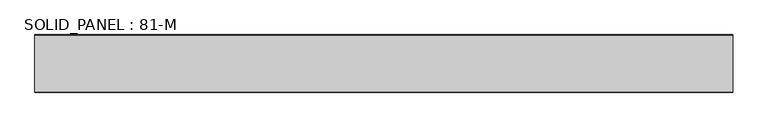
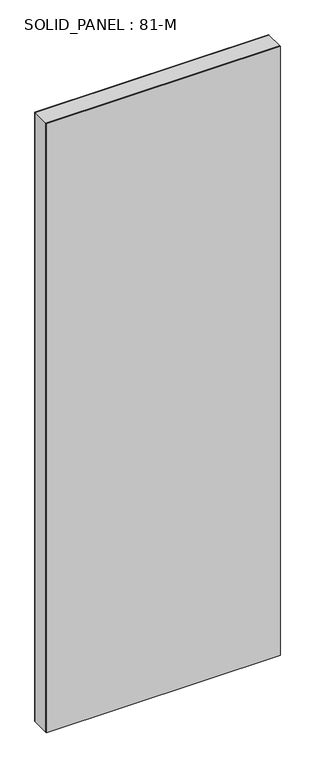
"""IFC4 building model written with IfcOpenShell, lengths in millimetres: plate geometry, SOLID_PANEL : 81-M."""

import ifcopenshell
import ifcopenshell.guid

model = None  # the IFC model being written
_history = None  # IfcOwnerHistory: only IFC2X3 demands one
_inside = {}  # id of a spatial element -> (the spatial element, [elements in it])
_under = {}  # id of a project, library or spatial element -> (it, [spatial elements below it])
_declared = {}  # id of a project -> (the project, [libraries it declares])
_typed = {}  # id of a type object -> (the type object, [elements of that type])
_made_of = {}  # id of a material, layer set ... -> (it, [elements and type objects made of it])


def new_model(schema):
    """Start an empty IFC model of exactly this schema.

    Asked for "IFC4X3", IfcOpenShell would pick the latest addendum, in which some entities
    have other attributes; the version numbers below select the first issue.
    IFC2X3 requires an IfcOwnerHistory on every rooted entity: one is made here for all.
    """
    global model, _history
    if schema == "IFC4X3":
        model = ifcopenshell.file(schema_version=(4, 3, 0, 0))
    else:
        model = ifcopenshell.file(schema=schema)
    _inside.clear()
    _under.clear()
    _declared.clear()
    _typed.clear()
    _made_of.clear()
    _history = None
    if model.schema == "IFC2X3":
        org = make("IfcOrganization", Name="unknown")
        user = make(
            "IfcPersonAndOrganization",
            ThePerson=make("IfcPerson", FamilyName="unknown"),
            TheOrganization=org,
        )
        app = make(
            "IfcApplication",
            ApplicationDeveloper=org,
            Version="unknown",
            ApplicationFullName="unknown",
            ApplicationIdentifier="unknown",
        )
        _history = make(
            "IfcOwnerHistory",
            OwningUser=user,
            OwningApplication=app,
            ChangeAction="ADDED",
            CreationDate=0,
        )
    return model


def make(cls, **values):
    """One entity of the class cls with the attributes given. An attribute that is None is left unset."""
    return model.create_entity(
        cls, **{name: value for name, value in values.items() if value is not None}
    )


def rooted(cls, **values):
    """An entity with a GlobalId (a new one), such as an element, a storey or a relation."""
    return make(cls, GlobalId=ifcopenshell.guid.new(), OwnerHistory=_history, **values)


def si_unit(unit_type, name, prefix=None):
    """IfcSIUnit, for example si_unit("LENGTHUNIT", "METRE", prefix="MILLI")."""
    return make("IfcSIUnit", UnitType=unit_type, Prefix=prefix, Name=name)


def assignment(units):
    """IfcUnitAssignment: the units of a project."""
    return None if units is None else make("IfcUnitAssignment", Units=units)


def point(xyz):
    """IfcCartesianPoint."""
    return None if xyz is None else make("IfcCartesianPoint", Coordinates=xyz)


def direction(xyz):
    """IfcDirection."""
    return None if xyz is None else make("IfcDirection", DirectionRatios=xyz)


def frame(location, z_axis=None, x_axis=None):
    """IfcAxis2Placement3D, a coordinate frame: its origin and axes. An axis left out is left unset."""
    return make(
        "IfcAxis2Placement3D",
        Location=point(location),
        Axis=direction(z_axis),
        RefDirection=direction(x_axis),
    )


def origin():
    """The frame at (0, 0, 0) with its axes left unset."""
    return frame((0.0, 0.0, 0.0))


def origin_with_axes():
    """The frame at (0, 0, 0) with the z axis (0, 0, 1) and the x axis (1, 0, 0) written out."""
    return frame((0.0, 0.0, 0.0), z_axis=(0.0, 0.0, 1.0), x_axis=(1.0, 0.0, 0.0))


def place(relative_to, where):
    """IfcLocalPlacement: puts the frame where relative to a parent placement (None: the world)."""
    return make(
        "IfcLocalPlacement", PlacementRelTo=relative_to, RelativePlacement=where
    )


def context(
    kind, dimensions, precision=None, world=None, true_north=None, identifier=None
):
    """IfcGeometricRepresentationContext, for example the 3D "Model" context."""
    return make(
        "IfcGeometricRepresentationContext",
        ContextIdentifier=identifier,
        ContextType=kind,
        CoordinateSpaceDimension=dimensions,
        Precision=precision,
        WorldCoordinateSystem=world,
        TrueNorth=true_north,
    )


def project(units=None, contexts=None):
    """IfcProject with its units and contexts."""
    return rooted(
        "IfcProject",
        Name="project",
        RepresentationContexts=contexts,
        UnitsInContext=assignment(units),
    )


def spatial(cls, under=None, at=None, **own):
    """A site, building, storey or space (cls), placed at a placement, below another one or the project."""
    s = rooted(cls, ObjectPlacement=at, **own)
    if under is not None:
        _under.setdefault(under.id(), (under, []))[1].append(s)
    return s


def polyline(points):
    """IfcPolyline through the points."""
    return make("IfcPolyline", Points=[point(p) for p in points])


def outline(outer, holes=None, kind="AREA"):
    """IfcArbitraryClosedProfileDef: a profile drawn as a closed curve; with holes, ...WithVoids."""
    if holes is None:
        return make("IfcArbitraryClosedProfileDef", ProfileType=kind, OuterCurve=outer)
    return make(
        "IfcArbitraryProfileDefWithVoids",
        ProfileType=kind,
        OuterCurve=outer,
        InnerCurves=holes,
    )


def extrude(swept, where, along, depth):
    """IfcExtrudedAreaSolid: the profile swept, set in the frame where, extruded along a direction by depth."""
    return make(
        "IfcExtrudedAreaSolid",
        SweptArea=swept,
        Position=where,
        ExtrudedDirection=direction(along),
        Depth=depth,
    )


def shape(context_of_items, identifier, shape_type, items):
    """IfcShapeRepresentation: the items that make up one representation, for example the "Body"."""
    return make(
        "IfcShapeRepresentation",
        ContextOfItems=context_of_items,
        RepresentationIdentifier=identifier,
        RepresentationType=shape_type,
        Items=items,
    )


def source(mapping_origin, context_of_items, identifier, shape_type, items):
    """IfcRepresentationMap: a shape defined once, which mapped items show again and again."""
    return make(
        "IfcRepresentationMap",
        MappingOrigin=mapping_origin,
        MappedRepresentation=shape(context_of_items, identifier, shape_type, items),
    )


def transform(
    local_origin,
    x_axis=None,
    y_axis=None,
    z_axis=None,
    scale=None,
    scale2=None,
    scale3=None,
    uniform=True,
):
    """IfcCartesianTransformationOperator3D, or its non-uniform kind. x_axis, y_axis, z_axis: its Axis1, 2, 3."""
    if uniform:
        return make(
            "IfcCartesianTransformationOperator3D",
            Axis1=direction(x_axis),
            Axis2=direction(y_axis),
            LocalOrigin=point(local_origin),
            Scale=scale,
            Axis3=direction(z_axis),
        )
    return make(
        "IfcCartesianTransformationOperator3DnonUniform",
        Axis1=direction(x_axis),
        Axis2=direction(y_axis),
        LocalOrigin=point(local_origin),
        Scale=scale,
        Axis3=direction(z_axis),
        Scale2=scale2,
        Scale3=scale3,
    )


def mapped(mapping_source, mapping_target):
    """IfcMappedItem: shows the shape of a source again, moved by a transform."""
    return make(
        "IfcMappedItem", MappingSource=mapping_source, MappingTarget=mapping_target
    )


def made_of(thing, what):
    """Note that an element or type object is made of a material, layer set ...; save() writes the relation."""
    if what is not None:
        _made_of.setdefault(what.id(), (what, []))[1].append(thing)
    return thing


def element(
    cls,
    number,
    at=None,
    inside=None,
    cuts=None,
    type_object=None,
    material=None,
    context=None,
    identifier="Body",
    shape_type=None,
    held_by="IfcProductDefinitionShape",
    body=None,
    shapes=None,
    **own,
):
    """One element of the class cls, such as IfcWall. Its Tag is "e" and its number.

    at: its placement. inside: the storey or other place that contains it. cuts: it is an
    opening in that element (IfcRelVoidsElement). A single representation is given by context,
    identifier, shape_type and body (its items); several are given by shapes. held_by: the class
    of the entity that holds the representations. save() writes the other relations.
    """
    e = rooted(cls, Tag="e%d" % number, ObjectPlacement=at, **own)
    if body is not None:
        shapes = [shape(context, identifier, shape_type, body)]
    if shapes is not None:
        e.Representation = make(held_by, Representations=shapes)
    if inside is not None:
        _inside.setdefault(inside.id(), (inside, []))[1].append(e)
    if cuts is not None:
        rooted(
            "IfcRelVoidsElement", RelatingBuildingElement=cuts, RelatedOpeningElement=e
        )
    if type_object is not None:
        _typed.setdefault(type_object.id(), (type_object, []))[1].append(e)
    return made_of(e, material)


def aggregate(whole, parts):
    """IfcRelAggregates: a whole, such as a stair, and the parts it consists of."""
    return rooted("IfcRelAggregates", RelatingObject=whole, RelatedObjects=parts)


def save(model, path):
    """Write the relations noted so far, then the file.

    IfcRelAggregates (storeys below a building ...), IfcRelContainedInSpatialStructure (elements
    in a storey), IfcRelDefinesByType, IfcRelAssociatesMaterial and IfcRelDeclares: one each for
    every whole, place, type object, material and project.
    """
    for whole, parts in _under.values():
        aggregate(whole, parts)
    for where, things in _inside.values():
        rooted(
            "IfcRelContainedInSpatialStructure",
            RelatedElements=things,
            RelatingStructure=where,
        )
    for kind, things in _typed.values():
        rooted("IfcRelDefinesByType", RelatedObjects=things, RelatingType=kind)
    for what, things in _made_of.values():
        rooted("IfcRelAssociatesMaterial", RelatedObjects=things, RelatingMaterial=what)
    for by, libraries in _declared.values():
        rooted("IfcRelDeclares", RelatingContext=by, RelatedDefinitions=libraries)
    model.write(path)


def solid_panel_81_m_1ca77373(model_context):
    return source(origin(), model_context, "Body", "SweptSolid", [
        extrude(outline(polyline([(500.0, -40.5), (-500.0, -40.5), (-500.0, 40.5), (500.0, 40.5), (500.0, -40.5)])), origin_with_axes(), (0.0, 0.0, 1.0), 2755.0),
        extrude(outline(polyline([(500.0, -41.5), (-500.0, -41.5), (-500.0, -40.5), (500.0, -40.5), (500.0, -41.5)])), origin_with_axes(), (0.0, 0.0, 1.0), 2755.0),
        extrude(outline(polyline([(500.0, 40.5), (-500.0, 40.5), (-500.0, 41.5), (500.0, 41.5), (500.0, 40.5)])), origin_with_axes(), (0.0, 0.0, 1.0), 2755.0),
    ])


if __name__ == "__main__":
    model = new_model("IFC4")
    model_context = context("Model", 3, world=origin())
    ifc_project = project(units=[si_unit("LENGTHUNIT", "METRE", prefix="MILLI")], contexts=[model_context])
    site = spatial("IfcSite", under=ifc_project)
    building = spatial("IfcBuilding", under=site)
    placement = place(None, origin())
    solid_panel_81_m_shape = solid_panel_81_m_1ca77373(model_context)
    element("IfcPlate", 1, ObjectType="SOLID_PANEL : 81-M", at=placement, inside=building, context=model_context, shape_type="MappedRepresentation", body=[
        mapped(solid_panel_81_m_shape, transform((0.0, 0.0, 0.0), x_axis=(1.0, 0.0, 0.0), y_axis=(0.0, 1.0, 0.0), z_axis=(0.0, 0.0, 1.0))),
    ])
    save(model, "model.ifc")
